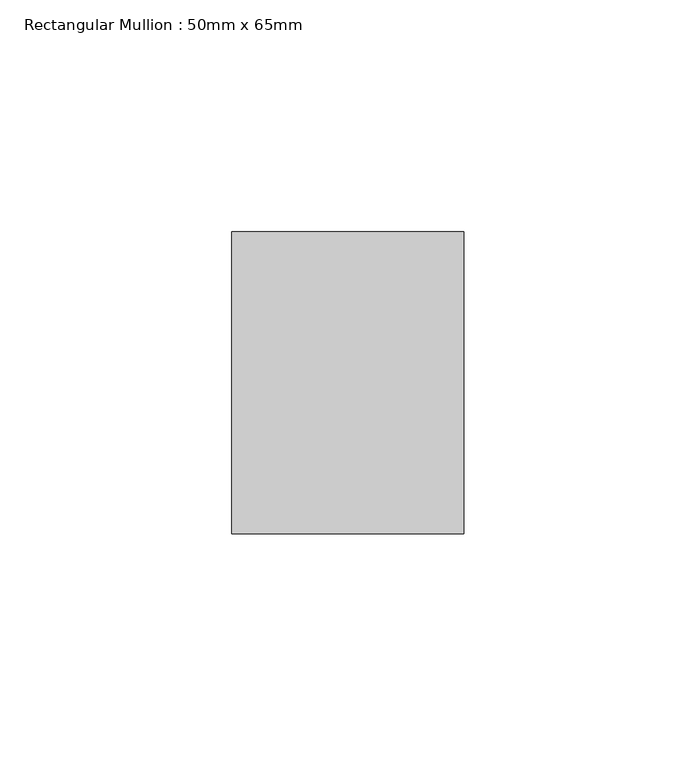
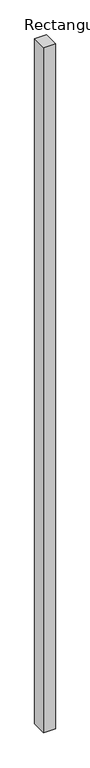
"""IFC4 building model written with IfcOpenShell, lengths in millimetres: member geometry, Rectangular Mullion : 50mm x 65mm."""

from ifc_helpers import new_model, si_unit, frame, origin, place, context, project, spatial, polyline, outline, extrude, source, transform, mapped, element, save


def rectangular_mullion_50mm_x_65mm_24678c89(model_context):
    return source(origin(), model_context, "Body", "SweptSolid", [
        extrude(outline(polyline([(25.0, 32.5), (25.0, -32.5), (-25.0, -32.5), (-25.0, 32.5), (25.0, 32.5)])), frame((0.0, 0.0, -3078.7112528), z_axis=(0.0, 0.0, 1.0), x_axis=(1.0, 0.0, 0.0)), (0.0, 0.0, 1.0), 3078.7112528),
    ])


if __name__ == "__main__":
    model = new_model("IFC4")
    model_context = context("Model", 3, world=origin())
    ifc_project = project(units=[si_unit("LENGTHUNIT", "METRE", prefix="MILLI")], contexts=[model_context])
    site = spatial("IfcSite", under=ifc_project)
    building = spatial("IfcBuilding", under=site)
    placement = place(None, origin())
    rectangular_mullion_50mm_x_65mm_shape = rectangular_mullion_50mm_x_65mm_24678c89(model_context)
    element("IfcMember", 1, ObjectType="Rectangular Mullion : 50mm x 65mm", at=placement, inside=building, context=model_context, shape_type="MappedRepresentation", body=[
        mapped(rectangular_mullion_50mm_x_65mm_shape, transform((0.0, 0.0, 0.0), x_axis=(1.0, 0.0, 0.0), y_axis=(0.0, 1.0, 0.0), z_axis=(0.0, 0.0, 1.0))),
    ])
    save(model, "model.ifc")
